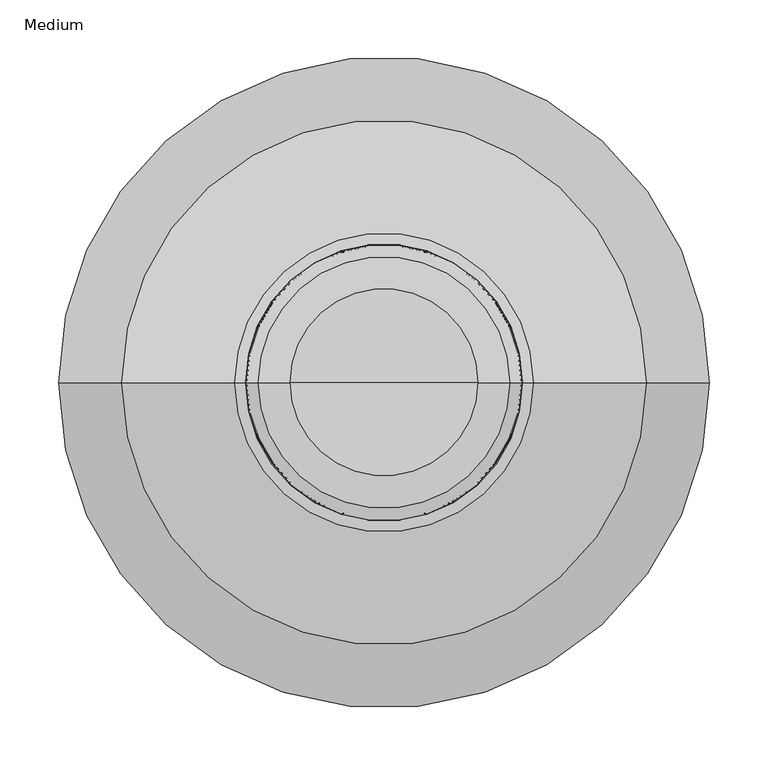
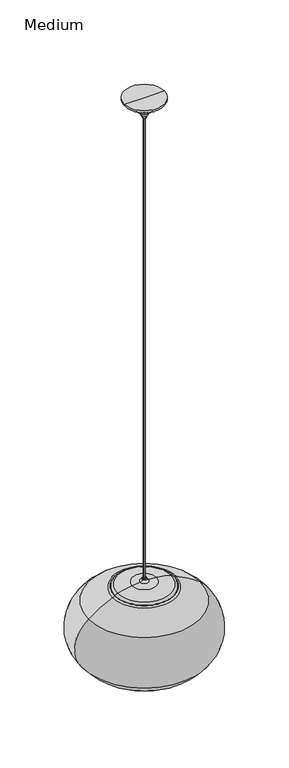
"""IFC4 building model written with IfcOpenShell, lengths in millimetres: furniture geometry, Medium."""

from ifc_helpers import new_model, si_unit, point, frame, origin, origin_with_axes, origin_2d, place, context, project, spatial, polyline, circle_curve, ellipse_curve, trimmed, segment, composite_curve, outline, extrude, source, transform, mapped, element, save
from ifc_brep_helpers import plane_surface, revolved_surface, advanced_brep


def medium_1a98a2dc(model_context):
    return source(origin(), model_context, "Body", "SolidModel", [
        advanced_brep(
        [(-248.435835, 0.0, 98.6111411), (248.435835, 0.0, 98.6111411), (66.0295906, 0.0, 0.0), (-66.0295906, 0.0, 0.0), (-224.4132824, 0.0, 295.9297202), (224.4132824, 0.0, 295.9297202), (-127.7311751, 0.0, 352.7876232), (127.7311751, 0.0, 352.7876232), (-116.0385113, 0.0, 357.0683212), (116.0385113, 0.0, 357.0683212), (-113.3800448, 0.0, 357.0683212), (113.3800448, 0.0, 357.0683212), (-127.4337752, 0.0, 352.0860555), (127.4337752, 0.0, 352.0860555), (-223.9447106, 0.0, 295.3288172), (223.9447106, 0.0, 295.3288172), (-247.8367736, 0.0, 99.0820652), (247.8367736, 0.0, 99.0820652), (-65.9636624, 0.0, 0.7591426), (65.9636624, 0.0, 0.7591426), (-62.7978747, 0.0, 0.0), (62.7978747, 0.0, 0.0)],
        [
            (0, 1, circle_curve(frame((0.0, 0.0, 98.6111411), z_axis=(0.0, 0.0, -1.0), x_axis=(1.0, 0.0, 0.0)), 248.435835)),
            (1, 2, circle_curve(frame((43.4728798, 0.0, 259.7331518), z_axis=(0.0, 1.0, 0.0), x_axis=(1.0, 0.0, 0.0)), 260.7107887)),
            (2, 3, circle_curve(origin_with_axes(), 66.0295906)),
            (3, 0, circle_curve(frame((-43.4728798, 0.0, 259.7331518), z_axis=(0.0, 1.0, 0.0), x_axis=(-1.0, 0.0, 0.0)), 260.7107887)),
            (1, 0, circle_curve(frame((0.0, 0.0, 98.6111411), z_axis=(0.0, 0.0, -1.0), x_axis=(1.0, 0.0, 0.0)), 248.435835)),
            (3, 2, circle_curve(origin_with_axes(), 66.0295906)),
            (4, 5, circle_curve(frame((0.0, 0.0, 295.9297202), z_axis=(0.0, 0.0, -1.0), x_axis=(1.0, 0.0, 0.0)), 224.4132824)),
            (5, 1, circle_curve(frame((138.1513025, 0.0, 185.306152), z_axis=(0.0, 1.0, 0.0), x_axis=(1.0, 0.0, 0.0)), 140.2808007)),
            (0, 4, circle_curve(frame((-138.1513025, 0.0, 185.306152), z_axis=(0.0, 1.0, 0.0), x_axis=(-1.0, 0.0, 0.0)), 140.2808007)),
            (5, 4, circle_curve(frame((0.0, 0.0, 295.9297202), z_axis=(0.0, 0.0, -1.0), x_axis=(1.0, 0.0, 0.0)), 224.4132824)),
            (6, 7, circle_curve(frame((0.0, 0.0, 352.7876232), z_axis=(0.0, 0.0, -1.0), x_axis=(1.0, 0.0, 0.0)), 127.7311751)),
            (7, 5, circle_curve(frame((-40.2475829, 0.0, -43.4750709), z_axis=(0.0, 1.0, 0.0), x_axis=(1.0, 0.0, 0.0)), 430.3963125)),
            (4, 6, circle_curve(frame((40.2475829, 0.0, -43.4750709), z_axis=(0.0, 1.0, 0.0), x_axis=(-1.0, 0.0, 0.0)), 430.3963125)),
            (7, 6, circle_curve(frame((0.0, 0.0, 352.7876232), z_axis=(0.0, 0.0, -1.0), x_axis=(1.0, 0.0, 0.0)), 127.7311751)),
            (8, 9, circle_curve(frame((0.0, 0.0, 357.0683212), z_axis=(0.0, 0.0, -1.0), x_axis=(1.0, 0.0, 0.0)), 116.0385113)),
            (9, 7, circle_curve(frame((79.112478, 0.0, 238.095884), z_axis=(0.0, 1.0, 0.0), x_axis=(1.0, 0.0, 0.0)), 124.5711554)),
            (6, 8, circle_curve(frame((-79.112478, 0.0, 238.095884), z_axis=(0.0, 1.0, 0.0), x_axis=(-1.0, 0.0, 0.0)), 124.5711554)),
            (9, 8, circle_curve(frame((0.0, 0.0, 357.0683212), z_axis=(0.0, 0.0, -1.0), x_axis=(1.0, 0.0, 0.0)), 116.0385113)),
            (10, 11, circle_curve(frame((0.0, 0.0, 357.0683212), z_axis=(0.0, 0.0, -1.0), x_axis=(1.0, 0.0, 0.0)), 113.3800448)),
            (11, 9),
            (8, 10),
            (11, 10, circle_curve(frame((0.0, 0.0, 357.0683212), z_axis=(0.0, 0.0, -1.0), x_axis=(1.0, 0.0, 0.0)), 113.3800448)),
            (12, 13, circle_curve(frame((0.0, 0.0, 352.0860555), z_axis=(0.0, 0.0, -1.0), x_axis=(1.0, 0.0, 0.0)), 127.4337752)),
            (13, 11, circle_curve(frame((79.112478, 0.0, 238.095884), z_axis=(0.0, -1.0, 0.0), x_axis=(1.0, 0.0, 0.0)), 123.8091554)),
            (10, 12, circle_curve(frame((-79.112478, 0.0, 238.095884), z_axis=(0.0, -1.0, 0.0), x_axis=(-1.0, 0.0, 0.0)), 123.8091554)),
            (13, 12, circle_curve(frame((0.0, 0.0, 352.0860555), z_axis=(0.0, 0.0, -1.0), x_axis=(1.0, 0.0, 0.0)), 127.4337752)),
            (14, 15, circle_curve(frame((0.0, 0.0, 295.3288172), z_axis=(0.0, 0.0, -1.0), x_axis=(1.0, 0.0, 0.0)), 223.9447106)),
            (15, 13, circle_curve(frame((-40.2475829, 0.0, -43.4750709), z_axis=(0.0, -1.0, 0.0), x_axis=(1.0, 0.0, 0.0)), 429.6343125)),
            (12, 14, circle_curve(frame((40.2475829, 0.0, -43.4750709), z_axis=(0.0, -1.0, 0.0), x_axis=(-1.0, 0.0, 0.0)), 429.6343125)),
            (15, 14, circle_curve(frame((0.0, 0.0, 295.3288172), z_axis=(0.0, 0.0, -1.0), x_axis=(1.0, 0.0, 0.0)), 223.9447106)),
            (16, 17, circle_curve(frame((0.0, 0.0, 99.0820652), z_axis=(0.0, 0.0, -1.0), x_axis=(1.0, 0.0, 0.0)), 247.8367736)),
            (17, 15, circle_curve(frame((138.1513025, 0.0, 185.306152), z_axis=(0.0, -1.0, 0.0), x_axis=(1.0, 0.0, 0.0)), 139.5188007)),
            (14, 16, circle_curve(frame((-138.1513025, 0.0, 185.306152), z_axis=(0.0, -1.0, 0.0), x_axis=(-1.0, 0.0, 0.0)), 139.5188007)),
            (17, 16, circle_curve(frame((0.0, 0.0, 99.0820652), z_axis=(0.0, 0.0, -1.0), x_axis=(1.0, 0.0, 0.0)), 247.8367736)),
            (18, 19, circle_curve(frame((0.0, 0.0, 0.7591426), z_axis=(0.0, 0.0, -1.0), x_axis=(1.0, 0.0, 0.0)), 65.9636624)),
            (19, 17, circle_curve(frame((43.4728798, 0.0, 259.7331518), z_axis=(0.0, -1.0, 0.0), x_axis=(1.0, 0.0, 0.0)), 259.9487887)),
            (16, 18, circle_curve(frame((-43.4728798, 0.0, 259.7331518), z_axis=(0.0, -1.0, 0.0), x_axis=(-1.0, 0.0, 0.0)), 259.9487887)),
            (19, 18, circle_curve(frame((0.0, 0.0, 0.7591426), z_axis=(0.0, 0.0, -1.0), x_axis=(1.0, 0.0, 0.0)), 65.9636624)),
            (20, 21, circle_curve(frame((0.0, 0.0, 0.0), z_axis=(0.0, 0.0, -1.0), x_axis=(1.0, 0.0, 0.0)), 62.7978747)),
            (21, 19, circle_curve(frame((66.9141175, 0.0, -10.1850381), z_axis=(0.0, 1.0, 0.0), x_axis=(1.0, 0.0, 0.0)), 10.9853746)),
            (18, 20, circle_curve(frame((-66.9141175, 0.0, -10.1850381), z_axis=(0.0, 1.0, 0.0), x_axis=(-1.0, 0.0, 0.0)), 10.9853746)),
            (21, 20, circle_curve(frame((0.0, 0.0, 0.0), z_axis=(0.0, 0.0, -1.0), x_axis=(1.0, 0.0, 0.0)), 62.7978747)),
            (2, 21),
            (20, 3),
        ],
        [
            revolved_surface(trimmed(ellipse_curve(frame((43.4728798, 0.0, 259.7331518), z_axis=(0.0, -1.0, 0.0), x_axis=(1.0, 0.0, 0.0)), 260.7107887, 260.7107887), [point((66.0295906, 0.0, 0.0))], [point((248.435835, 0.0, 98.6111411))], True, "CARTESIAN"), (0.0, 0.0, -38.1), (0.0, 0.0, 1.0)),
            revolved_surface(trimmed(ellipse_curve(frame((138.1513025, 0.0, 185.306152), z_axis=(0.0, -1.0, 0.0), x_axis=(1.0, 0.0, 0.0)), 140.2808007, 140.2808007), [point((248.435835, 0.0, 98.6111411))], [point((224.4132824, 0.0, 295.9297202))], True, "CARTESIAN"), (0.0, 0.0, -38.1), (0.0, 0.0, 1.0)),
            revolved_surface(trimmed(ellipse_curve(frame((-40.2475829, 0.0, -43.4750709), z_axis=(0.0, -1.0, 0.0), x_axis=(1.0, 0.0, 0.0)), 430.3963125, 430.3963125), [point((224.4132824, 0.0, 295.9297202))], [point((127.7311751, 0.0, 352.7876232))], True, "CARTESIAN"), (0.0, 0.0, -38.1), (0.0, 0.0, 1.0)),
            revolved_surface(trimmed(ellipse_curve(frame((79.112478, 0.0, 238.095884), z_axis=(0.0, -1.0, 0.0), x_axis=(1.0, 0.0, 0.0)), 124.5711554, 124.5711554), [point((127.7311751, 0.0, 352.7876232))], [point((116.0385113, 0.0, 357.0683212))], True, "CARTESIAN"), (0.0, 0.0, -38.1), (0.0, 0.0, 1.0)),
            plane_surface(frame((0.0, 0.0, 357.0683212), z_axis=(0.0, 0.0, 1.0), x_axis=(1.0, 0.0, 0.0))),
            revolved_surface(trimmed(ellipse_curve(frame((79.112478, 0.0, 238.095884), z_axis=(0.0, 1.0, 0.0), x_axis=(1.0, 0.0, 0.0)), 123.8091554, 123.8091554), [point((113.3800448, 0.0, 357.0683212))], [point((127.4337752, 0.0, 352.0860555))], True, "CARTESIAN"), (0.0, 0.0, -38.1), (0.0, 0.0, 1.0)),
            revolved_surface(trimmed(ellipse_curve(frame((-40.2475829, 0.0, -43.4750709), z_axis=(0.0, 1.0, 0.0), x_axis=(1.0, 0.0, 0.0)), 429.6343125, 429.6343125), [point((127.4337752, 0.0, 352.0860555))], [point((223.9447106, 0.0, 295.3288172))], True, "CARTESIAN"), (0.0, 0.0, -38.1), (0.0, 0.0, 1.0)),
            revolved_surface(trimmed(ellipse_curve(frame((138.1513025, 0.0, 185.306152), z_axis=(0.0, 1.0, 0.0), x_axis=(1.0, 0.0, 0.0)), 139.5188007, 139.5188007), [point((223.9447106, 0.0, 295.3288172))], [point((247.8367736, 0.0, 99.0820652))], True, "CARTESIAN"), (0.0, 0.0, -38.1), (0.0, 0.0, 1.0)),
            revolved_surface(trimmed(ellipse_curve(frame((43.4728798, 0.0, 259.7331518), z_axis=(0.0, 1.0, 0.0), x_axis=(1.0, 0.0, 0.0)), 259.9487887, 259.9487887), [point((247.8367736, 0.0, 99.0820652))], [point((65.9636624, 0.0, 0.7591426))], True, "CARTESIAN"), (0.0, 0.0, -38.1), (0.0, 0.0, 1.0)),
            revolved_surface(trimmed(ellipse_curve(frame((66.9141175, 0.0, -10.1850381), z_axis=(0.0, -1.0, 0.0), x_axis=(1.0, 0.0, 0.0)), 10.9853746, 10.9853746), [point((65.9636624, 0.0, 0.7591426))], [point((62.7978747, 0.0, 0.0))], True, "CARTESIAN"), (0.0, 0.0, -38.1), (0.0, 0.0, 1.0)),
            plane_surface(frame((0.0, 0.0, 0.0), z_axis=(0.0, 0.0, -1.0), x_axis=(1.0, 0.0, 0.0))),
        ],
        [
            (0, [[1, 2, 3, 4]]),
            (0, [[5, -4, 6, -2]]),
            (1, [[7, 8, -1, 9]]),
            (1, [[10, -9, -5, -8]]),
            (2, [[11, 12, -7, 13]]),
            (2, [[14, -13, -10, -12]]),
            (3, [[15, 16, -11, 17]]),
            (3, [[18, -17, -14, -16]]),
            (4, [[19, 20, -15, 21]]),
            (4, [[22, -21, -18, -20]]),
            (5, [[23, 24, -19, 25]]),
            (5, [[26, -25, -22, -24]]),
            (6, [[27, 28, -23, 29]]),
            (6, [[30, -29, -26, -28]]),
            (7, [[31, 32, -27, 33]]),
            (7, [[34, -33, -30, -32]]),
            (8, [[35, 36, -31, 37]]),
            (8, [[38, -37, -34, -36]]),
            (9, [[39, 40, -35, 41]]),
            (9, [[42, -41, -38, -40]]),
            (10, [[-3, 43, -39, 44]]),
            (10, [[-6, -44, -42, -43]]),
        ],
    ),
        advanced_brep(
        [(-32.3495046, 0.0, 332.0622978), (32.3495046, 0.0, 332.0622978), (0.0, 0.0, 329.1018249), (-58.1760641, 0.0, 339.608151), (58.1760641, 0.0, 339.608151), (-95.5265465, 0.0, 351.4579809), (95.5265465, 0.0, 351.4579809), (-102.827525, 0.0, 352.8012522), (102.827525, 0.0, 352.8012522), (-110.3804864, 0.0, 353.4902859), (110.3804864, 0.0, 353.4902859), (-115.1141739, 0.0, 353.4902859), (115.1141739, 0.0, 353.4902859), (-117.2028349, 0.0, 355.8779416), (117.2028349, 0.0, 355.8779416), (-116.7092327, 0.0, 356.4040449), (116.7092327, 0.0, 356.4040449), (0.0, 0.0, 356.4040449)],
        [
            (0, 1, circle_curve(frame((0.0, 0.0, 332.0622978), z_axis=(0.0, 0.0, -1.0), x_axis=(1.0, 0.0, 0.0)), 32.3495046)),
            (1, 2, circle_curve(frame((-16.8581719, 0.0, 691.5374692), z_axis=(0.0, 1.0, 0.0), x_axis=(1.0, 0.0, 0.0)), 362.8274992)),
            (2, 0, circle_curve(frame((16.8581719, 0.0, 691.5374692), z_axis=(0.0, 1.0, 0.0), x_axis=(-1.0, 0.0, 0.0)), 362.8274992)),
            (1, 0, circle_curve(frame((0.0, 0.0, 332.0622978), z_axis=(0.0, 0.0, -1.0), x_axis=(1.0, 0.0, 0.0)), 32.3495046)),
            (3, 4, circle_curve(frame((0.0, 0.0, 339.608151), z_axis=(0.0, 0.0, -1.0), x_axis=(1.0, 0.0, 0.0)), 58.1760641)),
            (4, 1, circle_curve(frame((19.9945074, 0.0, 422.3188399), z_axis=(0.0, 1.0, 0.0), x_axis=(1.0, 0.0, 0.0)), 91.0982401)),
            (0, 3, circle_curve(frame((-19.9945074, 0.0, 422.3188399), z_axis=(0.0, 1.0, 0.0), x_axis=(-1.0, 0.0, 0.0)), 91.0982401)),
            (4, 3, circle_curve(frame((0.0, 0.0, 339.608151), z_axis=(0.0, 0.0, -1.0), x_axis=(1.0, 0.0, 0.0)), 58.1760641)),
            (5, 6, circle_curve(frame((0.0, 0.0, 351.4579809), z_axis=(0.0, 0.0, -1.0), x_axis=(1.0, 0.0, 0.0)), 95.5265465)),
            (6, 4, circle_curve(frame((123.9024749, 0.0, 197.2285001), z_axis=(0.0, -1.0, 0.0), x_axis=(1.0, 0.0, 0.0)), 156.8181305)),
            (3, 5, circle_curve(frame((-123.9024749, 0.0, 197.2285001), z_axis=(0.0, -1.0, 0.0), x_axis=(-1.0, 0.0, 0.0)), 156.8181305)),
            (6, 5, circle_curve(frame((0.0, 0.0, 351.4579809), z_axis=(0.0, 0.0, -1.0), x_axis=(1.0, 0.0, 0.0)), 95.5265465)),
            (7, 8, circle_curve(frame((0.0, 0.0, 352.8012522), z_axis=(0.0, 0.0, -1.0), x_axis=(1.0, 0.0, 0.0)), 102.827525)),
            (8, 6),
            (5, 7),
            (8, 7, circle_curve(frame((0.0, 0.0, 352.8012522), z_axis=(0.0, 0.0, -1.0), x_axis=(1.0, 0.0, 0.0)), 102.827525)),
            (9, 10, circle_curve(frame((0.0, 0.0, 353.4902859), z_axis=(0.0, 0.0, -1.0), x_axis=(1.0, 0.0, 0.0)), 110.3804864)),
            (10, 8, circle_curve(frame((110.3804864, 0.0, 311.7492273), z_axis=(0.0, -1.0, 0.0), x_axis=(1.0, 0.0, 0.0)), 41.7410587)),
            (7, 9, circle_curve(frame((-110.3804864, 0.0, 311.7492273), z_axis=(0.0, -1.0, 0.0), x_axis=(-1.0, 0.0, 0.0)), 41.7410587)),
            (10, 9, circle_curve(frame((0.0, 0.0, 353.4902859), z_axis=(0.0, 0.0, -1.0), x_axis=(1.0, 0.0, 0.0)), 110.3804864)),
            (11, 12, circle_curve(frame((0.0, 0.0, 353.4902859), z_axis=(0.0, 0.0, -1.0), x_axis=(1.0, 0.0, 0.0)), 115.1141739)),
            (12, 10),
            (9, 11),
            (12, 11, circle_curve(frame((0.0, 0.0, 353.4902859), z_axis=(0.0, 0.0, -1.0), x_axis=(1.0, 0.0, 0.0)), 115.1141739)),
            (13, 14, circle_curve(frame((0.0, 0.0, 355.8779416), z_axis=(0.0, 0.0, -1.0), x_axis=(1.0, 0.0, 0.0)), 117.2028349)),
            (14, 12, circle_curve(frame((114.604221, 0.0, 356.0437617), z_axis=(0.0, 1.0, 0.0), x_axis=(1.0, 0.0, 0.0)), 2.6038991)),
            (11, 13, circle_curve(frame((-114.604221, 0.0, 356.0437617), z_axis=(0.0, 1.0, 0.0), x_axis=(-1.0, 0.0, 0.0)), 2.6038991)),
            (14, 13, circle_curve(frame((0.0, 0.0, 355.8779416), z_axis=(0.0, 0.0, -1.0), x_axis=(1.0, 0.0, 0.0)), 117.2028349)),
            (15, 16, circle_curve(frame((0.0, 0.0, 356.4040449), z_axis=(0.0, 0.0, -1.0), x_axis=(1.0, 0.0, 0.0)), 116.7092327)),
            (16, 14, circle_curve(frame((116.7092327, 0.0, 355.9094388), z_axis=(0.0, 1.0, 0.0), x_axis=(1.0, 0.0, 0.0)), 0.4946061)),
            (13, 15, circle_curve(frame((-116.7092327, 0.0, 355.9094388), z_axis=(0.0, 1.0, 0.0), x_axis=(-1.0, 0.0, 0.0)), 0.4946061)),
            (16, 15, circle_curve(frame((0.0, 0.0, 356.4040449), z_axis=(0.0, 0.0, -1.0), x_axis=(1.0, 0.0, 0.0)), 116.7092327)),
            (17, 16),
            (15, 17),
        ],
        [
            revolved_surface(trimmed(ellipse_curve(frame((-16.8581719, 0.0, 691.5374692), z_axis=(0.0, -1.0, 0.0), x_axis=(1.0, 0.0, 0.0)), 362.8274992, 362.8274992), [point((0.0, 0.0, 329.1018249))], [point((32.3495046, 0.0, 332.0622978))], True, "CARTESIAN"), (0.0, 0.0, 373.9918522), (0.0, 0.0, 1.0)),
            revolved_surface(trimmed(ellipse_curve(frame((19.9945074, 0.0, 422.3188399), z_axis=(0.0, -1.0, 0.0), x_axis=(1.0, 0.0, 0.0)), 91.0982401, 91.0982401), [point((32.3495046, 0.0, 332.0622978))], [point((58.1760641, 0.0, 339.608151))], True, "CARTESIAN"), (0.0, 0.0, 373.9918522), (0.0, 0.0, 1.0)),
            revolved_surface(trimmed(ellipse_curve(frame((123.9024749, 0.0, 197.2285001), z_axis=(0.0, 1.0, 0.0), x_axis=(1.0, 0.0, 0.0)), 156.8181305, 156.8181305), [point((58.1760641, 0.0, 339.608151))], [point((95.5265465, 0.0, 351.4579809))], True, "CARTESIAN"), (0.0, 0.0, 373.9918522), (0.0, 0.0, 1.0)),
            revolved_surface(polyline([(95.5265465, 0.0, 351.4579809), (102.827525, 0.0, 352.8012522)]), (0.0, 0.0, 373.9918522), (0.0, 0.0, 1.0)),
            revolved_surface(trimmed(ellipse_curve(frame((110.3804864, 0.0, 311.7492273), z_axis=(0.0, 1.0, 0.0), x_axis=(1.0, 0.0, 0.0)), 41.7410587, 41.7410587), [point((102.827525, 0.0, 352.8012522))], [point((110.3804864, 0.0, 353.4902859))], True, "CARTESIAN"), (0.0, 0.0, 373.9918522), (0.0, 0.0, 1.0)),
            plane_surface(frame((0.0, 0.0, 353.4902859), z_axis=(0.0, 0.0, -1.0), x_axis=(1.0, 0.0, 0.0))),
            revolved_surface(trimmed(ellipse_curve(frame((114.604221, 0.0, 356.0437617), z_axis=(0.0, -1.0, 0.0), x_axis=(1.0, 0.0, 0.0)), 2.6038991, 2.6038991), [point((115.1141739, 0.0, 353.4902859))], [point((117.2028349, 0.0, 355.8779416))], True, "CARTESIAN"), (0.0, 0.0, 373.9918522), (0.0, 0.0, 1.0)),
            revolved_surface(trimmed(ellipse_curve(frame((116.7092327, 0.0, 355.9094388), z_axis=(0.0, -1.0, 0.0), x_axis=(1.0, 0.0, 0.0)), 0.4946061, 0.4946061), [point((117.2028349, 0.0, 355.8779416))], [point((116.7092327, 0.0, 356.4040449))], True, "CARTESIAN"), (0.0, 0.0, 373.9918522), (0.0, 0.0, 1.0)),
            plane_surface(frame((0.0, 0.0, 356.4040449), z_axis=(0.0, 0.0, 1.0), x_axis=(1.0, 0.0, 0.0))),
        ],
        [
            (0, [[1, 2, 3]]),
            (0, [[4, -3, -2]]),
            (1, [[5, 6, -1, 7]]),
            (1, [[8, -7, -4, -6]]),
            (2, [[9, 10, -5, 11]]),
            (2, [[12, -11, -8, -10]]),
            (3, [[13, 14, -9, 15]]),
            (3, [[16, -15, -12, -14]]),
            (4, [[17, 18, -13, 19]]),
            (4, [[20, -19, -16, -18]]),
            (5, [[21, 22, -17, 23]]),
            (5, [[24, -23, -20, -22]]),
            (6, [[25, 26, -21, 27]]),
            (6, [[28, -27, -24, -26]]),
            (7, [[29, 30, -25, 31]]),
            (7, [[32, -31, -28, -30]]),
            (8, [[33, -29, 34]]),
            (8, [[-34, -32, -33]]),
        ],
    ),
        advanced_brep(
        [(0.0, 0.0, 393.973554), (4.6990597, 0.0, 393.973554), (-4.6990597, 0.0, 393.973554), (-117.9753299, 0.0, 357.0682122), (117.9753299, 0.0, 357.0682122), (0.0, 0.0, 357.0682122), (-118.2190356, 0.0, 357.6454713), (118.2190356, 0.0, 357.6454713), (-107.6561014, 0.0, 364.3566118), (107.6561014, 0.0, 364.3566118), (-49.7534493, 0.0, 376.1205377), (49.7534493, 0.0, 376.1205377), (-17.9576827, 0.0, 379.1727133), (17.9576827, 0.0, 379.1727133), (-8.8248968, 0.0, 386.7878735), (8.8248968, 0.0, 386.7878735), (-7.9874437, 0.0, 390.9711113), (7.9874437, 0.0, 390.9711113)],
        [
            (0, 1),
            (1, 2, circle_curve(frame((0.0, 0.0, 393.973554), z_axis=(0.0, 0.0, 1.0), x_axis=(1.0, 0.0, 0.0)), 4.6990597)),
            (2, 0),
            (2, 1, circle_curve(frame((0.0, 0.0, 393.973554), z_axis=(0.0, 0.0, 1.0), x_axis=(1.0, 0.0, 0.0)), 4.6990597)),
            (3, 4, circle_curve(frame((0.0, 0.0, 357.0682122), z_axis=(0.0, 0.0, -1.0), x_axis=(1.0, 0.0, 0.0)), 117.9753299)),
            (4, 5),
            (5, 3),
            (4, 3, circle_curve(frame((0.0, 0.0, 357.0682122), z_axis=(0.0, 0.0, -1.0), x_axis=(1.0, 0.0, 0.0)), 117.9753299)),
            (6, 7, circle_curve(frame((0.0, 0.0, 357.6454713), z_axis=(0.0, 0.0, -1.0), x_axis=(1.0, 0.0, 0.0)), 118.2190356)),
            (7, 4, circle_curve(frame((117.9753299, 0.0, 357.4082853), z_axis=(0.0, 1.0, 0.0), x_axis=(1.0, 0.0, 0.0)), 0.3400731)),
            (3, 6, circle_curve(frame((-117.9753299, 0.0, 357.4082853), z_axis=(0.0, 1.0, 0.0), x_axis=(-1.0, 0.0, 0.0)), 0.3400731)),
            (7, 6, circle_curve(frame((0.0, 0.0, 357.6454713), z_axis=(0.0, 0.0, -1.0), x_axis=(1.0, 0.0, 0.0)), 118.2190356)),
            (8, 9, circle_curve(frame((0.0, 0.0, 364.3566118), z_axis=(0.0, 0.0, -1.0), x_axis=(1.0, 0.0, 0.0)), 107.6561014)),
            (9, 7, circle_curve(frame((98.7943112, 0.0, 338.7403994), z_axis=(0.0, 1.0, 0.0), x_axis=(1.0, 0.0, 0.0)), 27.1057496)),
            (6, 8, circle_curve(frame((-98.7943112, 0.0, 338.7403994), z_axis=(0.0, 1.0, 0.0), x_axis=(-1.0, 0.0, 0.0)), 27.1057496)),
            (9, 8, circle_curve(frame((0.0, 0.0, 364.3566118), z_axis=(0.0, 0.0, -1.0), x_axis=(1.0, 0.0, 0.0)), 107.6561014)),
            (10, 11, circle_curve(frame((0.0, 0.0, 376.1205377), z_axis=(0.0, 0.0, -1.0), x_axis=(1.0, 0.0, 0.0)), 49.7534493)),
            (11, 9, circle_curve(frame((34.6125065, 0.0, 153.2141444), z_axis=(0.0, 1.0, 0.0), x_axis=(1.0, 0.0, 0.0)), 223.4200267)),
            (8, 10, circle_curve(frame((-34.6125065, 0.0, 153.2141444), z_axis=(0.0, 1.0, 0.0), x_axis=(-1.0, 0.0, 0.0)), 223.4200267)),
            (11, 10, circle_curve(frame((0.0, 0.0, 376.1205377), z_axis=(0.0, 0.0, -1.0), x_axis=(1.0, 0.0, 0.0)), 49.7534493)),
            (12, 13, circle_curve(frame((0.0, 0.0, 379.1727133), z_axis=(0.0, 0.0, -1.0), x_axis=(1.0, 0.0, 0.0)), 17.9576827)),
            (13, 11, circle_curve(frame((88.5811222, 0.0, 947.7452139), z_axis=(0.0, -1.0, 0.0), x_axis=(1.0, 0.0, 0.0)), 572.9418458)),
            (10, 12, circle_curve(frame((-88.5811222, 0.0, 947.7452139), z_axis=(0.0, -1.0, 0.0), x_axis=(-1.0, 0.0, 0.0)), 572.9418458)),
            (13, 12, circle_curve(frame((0.0, 0.0, 379.1727133), z_axis=(0.0, 0.0, -1.0), x_axis=(1.0, 0.0, 0.0)), 17.9576827)),
            (14, 15, circle_curve(frame((0.0, 0.0, 386.7878735), z_axis=(0.0, 0.0, -1.0), x_axis=(1.0, 0.0, 0.0)), 8.8248968)),
            (15, 13, circle_curve(frame((19.3127215, 0.0, 390.0818075), z_axis=(0.0, -1.0, 0.0), x_axis=(1.0, 0.0, 0.0)), 10.9929281)),
            (12, 14, circle_curve(frame((-19.3127215, 0.0, 390.0818075), z_axis=(0.0, -1.0, 0.0), x_axis=(-1.0, 0.0, 0.0)), 10.9929281)),
            (15, 14, circle_curve(frame((0.0, 0.0, 386.7878735), z_axis=(0.0, 0.0, -1.0), x_axis=(1.0, 0.0, 0.0)), 8.8248968)),
            (16, 17, circle_curve(frame((0.0, 0.0, 390.9711113), z_axis=(0.0, 0.0, -1.0), x_axis=(1.0, 0.0, 0.0)), 7.9874437)),
            (17, 15, circle_curve(frame((27.927916, 0.0, 392.7876005), z_axis=(0.0, -1.0, 0.0), x_axis=(1.0, 0.0, 0.0)), 20.0230384)),
            (14, 16, circle_curve(frame((-27.927916, 0.0, 392.7876005), z_axis=(0.0, -1.0, 0.0), x_axis=(-1.0, 0.0, 0.0)), 20.0230384)),
            (17, 16, circle_curve(frame((0.0, 0.0, 390.9711113), z_axis=(0.0, 0.0, -1.0), x_axis=(1.0, 0.0, 0.0)), 7.9874437)),
            (1, 17, circle_curve(frame((4.6990597, 0.0, 390.671554), z_axis=(0.0, 1.0, 0.0), x_axis=(1.0, 0.0, 0.0)), 3.302)),
            (16, 2, circle_curve(frame((-4.6990597, 0.0, 390.671554), z_axis=(0.0, 1.0, 0.0), x_axis=(-1.0, 0.0, 0.0)), 3.302)),
        ],
        [
            plane_surface(frame((0.0, 0.0, 393.973554), z_axis=(0.0, 0.0, 1.0), x_axis=(1.0, 0.0, 0.0))),
            plane_surface(frame((0.0, 0.0, 357.0682122), z_axis=(0.0, 0.0, -1.0), x_axis=(1.0, 0.0, 0.0))),
            revolved_surface(trimmed(ellipse_curve(frame((117.9753299, 0.0, 357.4082853), z_axis=(0.0, -1.0, 0.0), x_axis=(1.0, 0.0, 0.0)), 0.3400731, 0.3400731), [point((117.9753299, 0.0, 357.0682122))], [point((118.2190356, 0.0, 357.6454713))], True, "CARTESIAN"), (0.0, 0.0, 310.88486), (0.0, 0.0, 1.0)),
            revolved_surface(trimmed(ellipse_curve(frame((98.7943112, 0.0, 338.7403994), z_axis=(0.0, -1.0, 0.0), x_axis=(1.0, 0.0, 0.0)), 27.1057496, 27.1057496), [point((118.2190356, 0.0, 357.6454713))], [point((107.6561014, 0.0, 364.3566118))], True, "CARTESIAN"), (0.0, 0.0, 310.88486), (0.0, 0.0, 1.0)),
            revolved_surface(trimmed(ellipse_curve(frame((34.6125065, 0.0, 153.2141444), z_axis=(0.0, -1.0, 0.0), x_axis=(1.0, 0.0, 0.0)), 223.4200267, 223.4200267), [point((107.6561014, 0.0, 364.3566118))], [point((49.7534493, 0.0, 376.1205377))], True, "CARTESIAN"), (0.0, 0.0, 310.88486), (0.0, 0.0, 1.0)),
            revolved_surface(trimmed(ellipse_curve(frame((88.5811222, 0.0, 947.7452139), z_axis=(0.0, 1.0, 0.0), x_axis=(1.0, 0.0, 0.0)), 572.9418458, 572.9418458), [point((49.7534493, 0.0, 376.1205377))], [point((17.9576827, 0.0, 379.1727133))], True, "CARTESIAN"), (0.0, 0.0, 310.88486), (0.0, 0.0, 1.0)),
            revolved_surface(trimmed(ellipse_curve(frame((19.3127215, 0.0, 390.0818075), z_axis=(0.0, 1.0, 0.0), x_axis=(1.0, 0.0, 0.0)), 10.9929281, 10.9929281), [point((17.9576827, 0.0, 379.1727133))], [point((8.8248968, 0.0, 386.7878735))], True, "CARTESIAN"), (0.0, 0.0, 310.88486), (0.0, 0.0, 1.0)),
            revolved_surface(trimmed(ellipse_curve(frame((27.927916, 0.0, 392.7876005), z_axis=(0.0, 1.0, 0.0), x_axis=(1.0, 0.0, 0.0)), 20.0230384, 20.0230384), [point((8.8248968, 0.0, 386.7878735))], [point((7.9874437, 0.0, 390.9711113))], True, "CARTESIAN"), (0.0, 0.0, 310.88486), (0.0, 0.0, 1.0)),
            revolved_surface(trimmed(ellipse_curve(frame((4.6990597, 0.0, 390.671554), z_axis=(0.0, -1.0, 0.0), x_axis=(1.0, 0.0, 0.0)), 3.302, 3.302), [point((7.9874437, 0.0, 390.9711113))], [point((4.6990597, 0.0, 393.973554))], True, "CARTESIAN"), (0.0, 0.0, 310.88486), (0.0, 0.0, 1.0)),
        ],
        [
            (0, [[1, 2, 3]]),
            (0, [[-3, 4, -1]]),
            (1, [[5, 6, 7]]),
            (1, [[8, -7, -6]]),
            (2, [[9, 10, -5, 11]]),
            (2, [[12, -11, -8, -10]]),
            (3, [[13, 14, -9, 15]]),
            (3, [[16, -15, -12, -14]]),
            (4, [[17, 18, -13, 19]]),
            (4, [[20, -19, -16, -18]]),
            (5, [[21, 22, -17, 23]]),
            (5, [[24, -23, -20, -22]]),
            (6, [[25, 26, -21, 27]]),
            (6, [[28, -27, -24, -26]]),
            (7, [[29, 30, -25, 31]]),
            (7, [[32, -31, -28, -30]]),
            (8, [[-2, 33, -29, 34]]),
            (8, [[-4, -34, -32, -33]]),
        ],
    ),
        extrude(outline(composite_curve([segment(trimmed(circle_curve(origin_2d(), 3.1000009), [point((-3.1000009, 0.0))], [point((3.1000009, 0.0))], False, "CARTESIAN"), True, "CONTINUOUS"), segment(trimmed(circle_curve(origin_2d(), 3.1000009), [point((3.1000009, 0.0))], [point((-3.1000009, 0.0))], False, "CARTESIAN"), True, "CONTINUOUS")], self_intersect=False)), frame((0.0, 0.0, 393.973554), z_axis=(0.0, 0.0, 1.0), x_axis=(1.0, 0.0, 0.0)), (0.0, 0.0, 1.0), 1943.7039602),
        advanced_brep(
        [(0.0, 0.0, 2423.8380981), (79.9894762, 0.0, 2423.8380981), (-79.9894762, 0.0, 2423.8380981), (-3.5297135, 0.0, 2337.6775143), (3.5297135, 0.0, 2337.6775143), (0.0, 0.0, 2337.6775143), (-6.3057145, 0.0, 2339.466895), (6.3057145, 0.0, 2339.466895), (-10.9909489, 0.0, 2349.8006115), (10.9909489, 0.0, 2349.8006115), (-20.1304096, 0.0, 2365.1611565), (20.1304096, 0.0, 2365.1611565), (-41.2845985, 0.0, 2386.6521412), (41.2845985, 0.0, 2386.6521412), (-58.9584016, 0.0, 2399.4940899), (58.9584016, 0.0, 2399.4940899), (-75.2690158, 0.0, 2412.0364929), (75.2690158, 0.0, 2412.0364929)],
        [
            (0, 1),
            (1, 2, circle_curve(frame((0.0, 0.0, 2423.8380981), z_axis=(0.0, 0.0, 1.0), x_axis=(1.0, 0.0, 0.0)), 79.9894762)),
            (2, 0),
            (2, 1, circle_curve(frame((0.0, 0.0, 2423.8380981), z_axis=(0.0, 0.0, 1.0), x_axis=(1.0, 0.0, 0.0)), 79.9894762)),
            (3, 4, circle_curve(frame((0.0, 0.0, 2337.6775143), z_axis=(0.0, 0.0, -1.0), x_axis=(1.0, 0.0, 0.0)), 3.5297135)),
            (4, 5),
            (5, 3),
            (4, 3, circle_curve(frame((0.0, 0.0, 2337.6775143), z_axis=(0.0, 0.0, -1.0), x_axis=(1.0, 0.0, 0.0)), 3.5297135)),
            (6, 7, circle_curve(frame((0.0, 0.0, 2339.466895), z_axis=(0.0, 0.0, -1.0), x_axis=(1.0, 0.0, 0.0)), 6.3057145)),
            (7, 4, circle_curve(frame((3.5297135, 0.0, 2340.7255143), z_axis=(0.0, 1.0, 0.0), x_axis=(1.0, 0.0, 0.0)), 3.048)),
            (3, 6, circle_curve(frame((-3.5297135, 0.0, 2340.7255143), z_axis=(0.0, 1.0, 0.0), x_axis=(-1.0, 0.0, 0.0)), 3.048)),
            (7, 6, circle_curve(frame((0.0, 0.0, 2339.466895), z_axis=(0.0, 0.0, -1.0), x_axis=(1.0, 0.0, 0.0)), 6.3057145)),
            (8, 9, circle_curve(frame((0.0, 0.0, 2349.8006115), z_axis=(0.0, 0.0, -1.0), x_axis=(1.0, 0.0, 0.0)), 10.9909489)),
            (9, 7),
            (6, 8),
            (9, 8, circle_curve(frame((0.0, 0.0, 2349.8006115), z_axis=(0.0, 0.0, -1.0), x_axis=(1.0, 0.0, 0.0)), 10.9909489)),
            (10, 11, circle_curve(frame((0.0, 0.0, 2365.1611565), z_axis=(0.0, 0.0, -1.0), x_axis=(1.0, 0.0, 0.0)), 20.1304096)),
            (11, 9, circle_curve(frame((84.4304243, 0.0, 2316.5036704), z_axis=(0.0, -1.0, 0.0), x_axis=(1.0, 0.0, 0.0)), 80.6352457)),
            (8, 10, circle_curve(frame((-84.4304243, 0.0, 2316.5036704), z_axis=(0.0, -1.0, 0.0), x_axis=(-1.0, 0.0, 0.0)), 80.6352457)),
            (11, 10, circle_curve(frame((0.0, 0.0, 2365.1611565), z_axis=(0.0, 0.0, -1.0), x_axis=(1.0, 0.0, 0.0)), 20.1304096)),
            (12, 13, circle_curve(frame((0.0, 0.0, 2386.6521412), z_axis=(0.0, 0.0, -1.0), x_axis=(1.0, 0.0, 0.0)), 41.2845985)),
            (13, 11, circle_curve(frame((113.0855291, 0.0, 2294.8196105), z_axis=(0.0, -1.0, 0.0), x_axis=(1.0, 0.0, 0.0)), 116.5700962)),
            (10, 12, circle_curve(frame((-113.0855291, 0.0, 2294.8196105), z_axis=(0.0, -1.0, 0.0), x_axis=(-1.0, 0.0, 0.0)), 116.5700962)),
            (13, 12, circle_curve(frame((0.0, 0.0, 2386.6521412), z_axis=(0.0, 0.0, -1.0), x_axis=(1.0, 0.0, 0.0)), 41.2845985)),
            (14, 15, circle_curve(frame((0.0, 0.0, 2399.4940899), z_axis=(0.0, 0.0, -1.0), x_axis=(1.0, 0.0, 0.0)), 58.9584016)),
            (15, 13, circle_curve(frame((232.333055, 0.0, 2142.3034526), z_axis=(0.0, -1.0, 0.0), x_axis=(1.0, 0.0, 0.0)), 310.1705891)),
            (12, 14, circle_curve(frame((-232.333055, 0.0, 2142.3034526), z_axis=(0.0, -1.0, 0.0), x_axis=(-1.0, 0.0, 0.0)), 310.1705891)),
            (15, 14, circle_curve(frame((0.0, 0.0, 2399.4940899), z_axis=(0.0, 0.0, -1.0), x_axis=(1.0, 0.0, 0.0)), 58.9584016)),
            (16, 17, circle_curve(frame((0.0, 0.0, 2412.0364929), z_axis=(0.0, 0.0, -1.0), x_axis=(1.0, 0.0, 0.0)), 75.2690158)),
            (17, 15, circle_curve(frame((-33.2634506, 0.0, 2536.2995368), z_axis=(0.0, 1.0, 0.0), x_axis=(1.0, 0.0, 0.0)), 164.9866671)),
            (14, 16, circle_curve(frame((33.2634506, 0.0, 2536.2995368), z_axis=(0.0, 1.0, 0.0), x_axis=(-1.0, 0.0, 0.0)), 164.9866671)),
            (17, 16, circle_curve(frame((0.0, 0.0, 2412.0364929), z_axis=(0.0, 0.0, -1.0), x_axis=(1.0, 0.0, 0.0)), 75.2690158)),
            (1, 17, circle_curve(frame((66.0807229, 0.0, 2422.556527), z_axis=(0.0, 1.0, 0.0), x_axis=(1.0, 0.0, 0.0)), 13.9676714)),
            (16, 2, circle_curve(frame((-66.0807229, 0.0, 2422.556527), z_axis=(0.0, 1.0, 0.0), x_axis=(-1.0, 0.0, 0.0)), 13.9676714)),
        ],
        [
            plane_surface(frame((0.0, 0.0, 2423.8380981), z_axis=(0.0, 0.0, 1.0), x_axis=(1.0, 0.0, 0.0))),
            plane_surface(frame((0.0, 0.0, 2337.6775143), z_axis=(0.0, 0.0, -1.0), x_axis=(1.0, 0.0, 0.0))),
            revolved_surface(trimmed(ellipse_curve(frame((3.5297135, 0.0, 2340.7255143), z_axis=(0.0, -1.0, 0.0), x_axis=(1.0, 0.0, 0.0)), 3.048, 3.048), [point((3.5297135, 0.0, 2337.6775143))], [point((6.3057145, 0.0, 2339.466895))], True, "CARTESIAN"), (0.0, 0.0, 2235.2), (0.0, 0.0, 1.0)),
            revolved_surface(polyline([(6.3057145, 0.0, 2339.466895), (10.9909489, 0.0, 2349.8006115)]), (0.0, 0.0, 2235.2), (0.0, 0.0, 1.0)),
            revolved_surface(trimmed(ellipse_curve(frame((84.4304243, 0.0, 2316.5036704), z_axis=(0.0, 1.0, 0.0), x_axis=(1.0, 0.0, 0.0)), 80.6352457, 80.6352457), [point((10.9909489, 0.0, 2349.8006115))], [point((20.1304096, 0.0, 2365.1611565))], True, "CARTESIAN"), (0.0, 0.0, 2235.2), (0.0, 0.0, 1.0)),
            revolved_surface(trimmed(ellipse_curve(frame((113.0855291, 0.0, 2294.8196105), z_axis=(0.0, 1.0, 0.0), x_axis=(1.0, 0.0, 0.0)), 116.5700962, 116.5700962), [point((20.1304096, 0.0, 2365.1611565))], [point((41.2845985, 0.0, 2386.6521412))], True, "CARTESIAN"), (0.0, 0.0, 2235.2), (0.0, 0.0, 1.0)),
            revolved_surface(trimmed(ellipse_curve(frame((232.333055, 0.0, 2142.3034526), z_axis=(0.0, 1.0, 0.0), x_axis=(1.0, 0.0, 0.0)), 310.1705891, 310.1705891), [point((41.2845985, 0.0, 2386.6521412))], [point((58.9584016, 0.0, 2399.4940899))], True, "CARTESIAN"), (0.0, 0.0, 2235.2), (0.0, 0.0, 1.0)),
            revolved_surface(trimmed(ellipse_curve(frame((-33.2634506, 0.0, 2536.2995368), z_axis=(0.0, -1.0, 0.0), x_axis=(1.0, 0.0, 0.0)), 164.9866671, 164.9866671), [point((58.9584016, 0.0, 2399.4940899))], [point((75.2690158, 0.0, 2412.0364929))], True, "CARTESIAN"), (0.0, 0.0, 2235.2), (0.0, 0.0, 1.0)),
            revolved_surface(trimmed(ellipse_curve(frame((66.0807229, 0.0, 2422.556527), z_axis=(0.0, -1.0, 0.0), x_axis=(1.0, 0.0, 0.0)), 13.9676714, 13.9676714), [point((75.2690158, 0.0, 2412.0364929))], [point((79.9894762, 0.0, 2423.8380981))], True, "CARTESIAN"), (0.0, 0.0, 2235.2), (0.0, 0.0, 1.0)),
        ],
        [
            (0, [[1, 2, 3]]),
            (0, [[-3, 4, -1]]),
            (1, [[5, 6, 7]]),
            (1, [[8, -7, -6]]),
            (2, [[9, 10, -5, 11]]),
            (2, [[12, -11, -8, -10]]),
            (3, [[13, 14, -9, 15]]),
            (3, [[16, -15, -12, -14]]),
            (4, [[17, 18, -13, 19]]),
            (4, [[20, -19, -16, -18]]),
            (5, [[21, 22, -17, 23]]),
            (5, [[24, -23, -20, -22]]),
            (6, [[25, 26, -21, 27]]),
            (6, [[28, -27, -24, -26]]),
            (7, [[29, 30, -25, 31]]),
            (7, [[32, -31, -28, -30]]),
            (8, [[-2, 33, -29, 34]]),
            (8, [[-4, -34, -32, -33]]),
        ],
    ),
    ])


if __name__ == "__main__":
    model = new_model("IFC4")
    model_context = context("Model", 3, world=origin())
    ifc_project = project(units=[si_unit("LENGTHUNIT", "METRE", prefix="MILLI")], contexts=[model_context])
    site = spatial("IfcSite", under=ifc_project)
    building = spatial("IfcBuilding", under=site)
    placement = place(None, origin())
    medium_shape = medium_1a98a2dc(model_context)
    element("IfcFurniture", 1, ObjectType="Medium", at=placement, inside=building, context=model_context, shape_type="MappedRepresentation", body=[
        mapped(medium_shape, transform((0.0, 0.0, 0.0), x_axis=(1.0, 0.0, 0.0), y_axis=(0.0, 1.0, 0.0), z_axis=(0.0, 0.0, 1.0))),
    ])
    save(model, "model.ifc")
